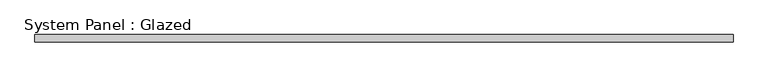
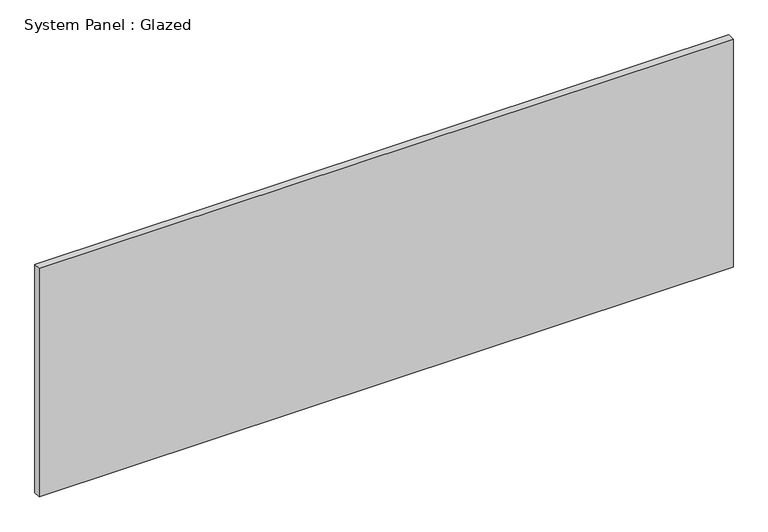
"""IFC4 building model written with IfcOpenShell, lengths in millimetres: plate geometry, System Panel : Glazed."""

from ifc_helpers import new_model, si_unit, origin, origin_with_axes, place, context, project, spatial, polyline, outline, extrude, source, transform, mapped, element, save


def system_panel_glazed_e1a318ef(model_context):
    return source(origin(), model_context, "Body", "SweptSolid", [
        extrude(outline(polyline([(1222.7327642, 19.05), (-1222.7327642, 19.05), (-1222.7327642, 44.45), (1222.7327642, 44.45), (1222.7327642, 19.05)])), origin_with_axes(), (0.0, 0.0, 1.0), 850.9),
    ])


if __name__ == "__main__":
    model = new_model("IFC4")
    model_context = context("Model", 3, world=origin())
    ifc_project = project(units=[si_unit("LENGTHUNIT", "METRE", prefix="MILLI")], contexts=[model_context])
    site = spatial("IfcSite", under=ifc_project)
    building = spatial("IfcBuilding", under=site)
    placement = place(None, origin())
    system_panel_glazed_shape = system_panel_glazed_e1a318ef(model_context)
    element("IfcPlate", 1, ObjectType="System Panel : Glazed", at=placement, inside=building, context=model_context, shape_type="MappedRepresentation", body=[
        mapped(system_panel_glazed_shape, transform((0.0, 0.0, 0.0), x_axis=(1.0, 0.0, 0.0), y_axis=(0.0, 1.0, 0.0), z_axis=(0.0, 0.0, 1.0))),
    ])
    save(model, "model.ifc")
